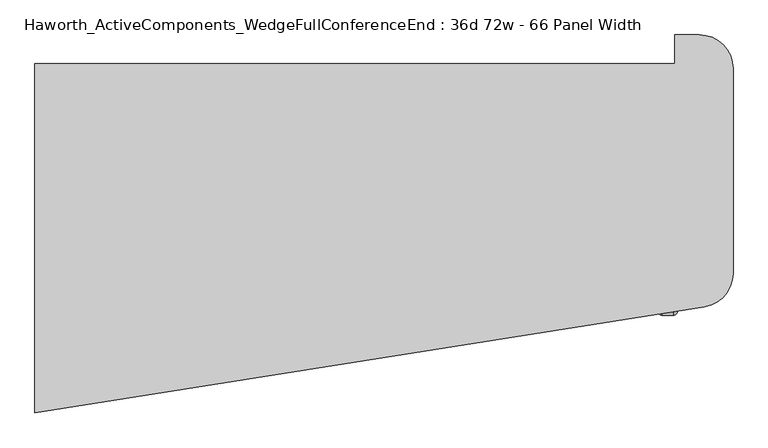
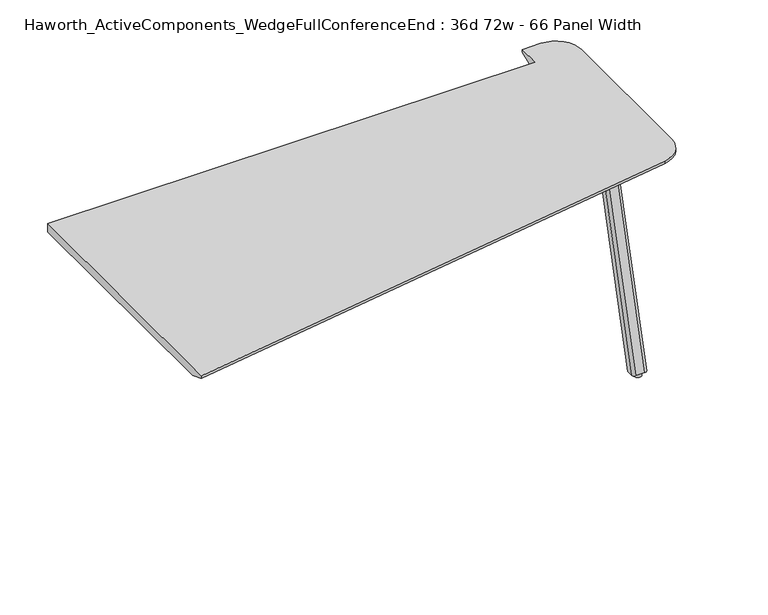
"""IFC4 building model written with IfcOpenShell, lengths in millimetres: furniture geometry, Haworth_ActiveComponents_WedgeFullConferenceEnd : 36d 72w - 66 Panel Width."""

from ifc_helpers import new_model, si_unit, point, frame, frame_2d, origin, origin_with_axes, place, context, project, spatial, polyline, circle_curve, trimmed, segment, composite_curve, outline, extrude, source, transform, mapped, element, save
from ifc_brep_helpers import plane_surface, cylinder_surface, revolved_surface, extruded_surface, advanced_brep


def haworth_activecomponents_wedgefullconferenceend_36d_72w_66_b84fc261(model_context):
    return source(origin(), model_context, "Body", "SolidModel", [
        extrude(outline(composite_curve([segment(trimmed(circle_curve(frame_2d((1209.294, -129.8605172)), 9.525), [point((1209.294, -120.3355172))], [point((1218.819, -129.8605172))], False, "CARTESIAN"), True, "CONTINUOUS"), segment(polyline([(1218.819, -129.8605172), (1218.819, -212.5338866)]), True, "CONTINUOUS"), segment(trimmed(circle_curve(frame_2d((1209.294, -212.5338866)), 9.525), [point((1218.819, -212.5338866))], [point((1209.294, -222.0588866))], False, "CARTESIAN"), True, "CONTINUOUS"), segment(polyline([(1209.294, -222.0588866), (1101.3440004, -222.0588866)]), True, "CONTINUOUS"), segment(trimmed(circle_curve(frame_2d((1101.3440004, -212.5338866)), 9.525), [point((1101.3440004, -222.0588866))], [point((1091.8190004, -212.5338866))], False, "CARTESIAN"), True, "CONTINUOUS"), segment(polyline([(1091.8190004, -212.5338866), (1091.8190004, -129.8605172)]), True, "CONTINUOUS"), segment(trimmed(circle_curve(frame_2d((1101.3440004, -129.8605172)), 9.525), [point((1091.8190004, -129.8605172))], [point((1101.3440004, -120.3355172))], False, "CARTESIAN"), True, "CONTINUOUS"), segment(polyline([(1101.3440004, -120.3355172), (1209.294, -120.3355172)]), True, "CONTINUOUS")], self_intersect=False)), frame((0.0, 0.0, 705.2055742), z_axis=(0.0, 0.0, 1.0), x_axis=(1.0, 0.0, 0.0)), (0.0, 0.0, 1.0), 5.9944258),
        advanced_brep(
        [(1203.325, -214.8347266, 705.2055742), (1212.85, -205.3097266, 705.2055742), (1212.85, -184.6722266, 705.2055742), (1162.05, -184.6722266, 705.2055742), (1162.05, -205.3097266, 705.2055742), (1171.575, -214.8347266, 705.2055742), (1203.325, -401.3230172, 12.7), (1171.575, -401.3230172, 12.7), (1162.05, -391.7980172, 12.7), (1162.05, -371.1605172, 12.7), (1212.85, -371.1605172, 12.7), (1212.85, -391.7980172, 12.7)],
        [
            (0, 1, circle_curve(frame((1203.325, -205.3097266, 705.2055742), z_axis=(0.0, 0.0, 1.0), x_axis=(1.0, 0.0, 0.0)), 9.525)),
            (1, 2),
            (2, 3),
            (3, 4),
            (4, 5, circle_curve(frame((1171.575, -205.3097266, 705.2055742), z_axis=(0.0, 0.0, 1.0), x_axis=(1.0, 0.0, 0.0)), 9.525)),
            (5, 0),
            (6, 7),
            (7, 8, circle_curve(frame((1171.575, -391.7980172, 12.7), z_axis=(0.0, 0.0, -1.0), x_axis=(1.0, 0.0, 0.0)), 9.525)),
            (8, 9),
            (9, 10),
            (10, 11),
            (11, 6, circle_curve(frame((1203.325, -391.7980172, 12.7), z_axis=(0.0, 0.0, -1.0), x_axis=(1.0, 0.0, 0.0)), 9.525)),
            (11, 1),
            (0, 6),
            (10, 2),
            (9, 3),
            (8, 4),
            (7, 5),
        ],
        [
            plane_surface(frame((1187.45, -201.6055599, 705.2055742), z_axis=(0.0, 0.0, 1.0), x_axis=(-1.0, 0.0, 0.0))),
            plane_surface(frame((1187.45, -388.0938506, 12.7), z_axis=(0.0, 0.0, -1.0), x_axis=(-1.0, 0.0, 0.0))),
            extruded_surface(trimmed(circle_curve(frame((1203.325, -391.7980172, 12.7), z_axis=(0.0, 0.0, 1.0), x_axis=(1.0, 0.0, 0.0)), 9.525), [point((1203.325, -401.3230172, 12.7))], [point((1212.85, -391.7980172, 12.7))], True, "CARTESIAN"), (0.0, 186.4882906, 692.5055742), 717.1763052618106),
            plane_surface(frame((1212.85, -381.4792672, 12.7), z_axis=(1.0, 0.0, 0.0), x_axis=(0.0, 1.0, 0.0))),
            plane_surface(frame((1187.45, -371.1605172, 12.7), z_axis=(0.0, 0.9656001865922422, -0.260031305140414), x_axis=(-1.0, 0.0, 0.0))),
            plane_surface(frame((1162.05, -381.4792672, 12.7), z_axis=(-1.0, 0.0, 0.0), x_axis=(0.0, -1.0, 0.0))),
            extruded_surface(trimmed(circle_curve(frame((1171.575, -391.7980172, 12.7), z_axis=(0.0, 0.0, 1.0), x_axis=(1.0, 0.0, 0.0)), 9.525), [point((1162.05, -391.7980172, 12.7))], [point((1171.575, -401.3230172, 12.7))], True, "CARTESIAN"), (0.0, 186.4882906, 692.5055742), 717.1763052618106),
            plane_surface(frame((1187.45, -401.3230172, 12.7), z_axis=(0.0, -0.9656001865922422, 0.260031305140414), x_axis=(1.0, 0.0, 0.0))),
        ],
        [
            (0, [[1, 2, 3, 4, 5, 6]]),
            (1, [[7, 8, 9, 10, 11, 12]]),
            (2, [[-12, 13, -1, 14]]),
            (3, [[-11, 15, -2, -13]]),
            (4, [[-10, 16, -3, -15]]),
            (5, [[-9, 17, -4, -16]]),
            (6, [[-8, 18, -5, -17]]),
            (7, [[-7, -14, -6, -18]]),
        ],
    ),
        extrude(outline(composite_curve([segment(trimmed(circle_curve(frame_2d((1187.45, -385.4480172)), 12.7), [point((1174.75, -385.4480172))], [point((1200.15, -385.4480172))], False, "CARTESIAN"), True, "CONTINUOUS"), segment(trimmed(circle_curve(frame_2d((1187.45, -385.4480172)), 12.7), [point((1200.15, -385.4480172))], [point((1174.75, -385.4480172))], False, "CARTESIAN"), True, "CONTINUOUS")], self_intersect=False)), origin_with_axes(), (0.0, 0.0, 1.0), 12.7),
        advanced_brep(
        [(1206.5, 257.4465234, 741.3625), (-469.9, 257.4465234, 741.3625), (-469.9, -656.9534766, 741.3625), (1283.9070239, -379.1777326, 741.3625), (1358.9, -291.3722392, 741.3625), (1358.9, 244.7465234, 741.3625), (1270.0, 333.6465234, 741.3625), (1206.5, 333.6465234, 741.3625), (-469.9, 257.4465234, 711.2), (1206.5, 257.4465234, 711.2), (1206.5, 282.8465234, 711.2), (1270.0, 282.8465234, 711.2), (1308.1, 244.7465234, 711.2), (1308.1, -291.3722392, 711.2), (1275.9601531, -329.0031649, 711.2), (-469.9, -605.5202482, 711.2), (-469.9, -656.9534766, 731.8375), (1358.9, -291.3722392, 731.8375), (1358.9, 244.7465234, 731.8375), (1270.0, 333.6465234, 731.8375), (1206.5, 333.6465234, 731.8375), (1283.9070239, -379.1777326, 731.8375)],
        [
            (0, 1),
            (1, 2),
            (2, 3),
            (3, 4, circle_curve(frame((1270.0, -291.3722392, 741.3625), z_axis=(0.0, 0.0, 1.0), x_axis=(1.0, 0.0, 0.0)), 88.9)),
            (4, 5),
            (5, 6, circle_curve(frame((1270.0, 244.7465234, 741.3625), z_axis=(0.0, 0.0, 1.0), x_axis=(1.0, 0.0, 0.0)), 88.9)),
            (6, 7),
            (7, 0),
            (8, 9),
            (9, 10),
            (10, 11),
            (11, 12, circle_curve(frame((1270.0, 244.7465234, 711.2), z_axis=(0.0, 0.0, -1.0), x_axis=(1.0, 0.0, 0.0)), 38.1)),
            (12, 13),
            (13, 14, circle_curve(frame((1270.0, -291.3722392, 711.2), z_axis=(0.0, 0.0, -1.0), x_axis=(0.1564344650402228, -0.987688340595139, 0.0)), 38.1)),
            (14, 15),
            (15, 8),
            (0, 9),
            (8, 1),
            (15, 16),
            (16, 2),
            (4, 17),
            (17, 18),
            (18, 5),
            (6, 19),
            (19, 20),
            (20, 7),
            (20, 10),
            (18, 19, circle_curve(frame((1270.0, 244.7465234, 731.8375), z_axis=(0.0, 0.0, 1.0), x_axis=(1.0, 0.0, 0.0)), 88.9)),
            (16, 21),
            (21, 3),
            (21, 17, circle_curve(frame((1270.0, -291.3722392, 731.8375), z_axis=(0.0, 0.0, 1.0), x_axis=(1.0, 0.0, 0.0)), 88.9)),
            (14, 21),
            (13, 17),
            (12, 18),
            (11, 19),
        ],
        [
            plane_surface(frame((-469.9, 257.4465234, 741.3625), z_axis=(0.0, 0.0, 1.0), x_axis=(-1.0, 0.0, 0.0))),
            plane_surface(frame((-469.9, 257.4465234, 711.2), z_axis=(0.0, 0.0, -1.0), x_axis=(1.0, 0.0, 0.0))),
            plane_surface(frame((1206.5, 257.4465234, 741.3625), z_axis=(0.0, 1.0, 0.0), x_axis=(0.0, 0.0, -1.0))),
            plane_surface(frame((-469.9, 257.4465234, 741.3625), z_axis=(-1.0, 0.0, 0.0), x_axis=(0.0, 0.0, -1.0))),
            plane_surface(frame((1358.9, -291.3722392, 741.3625), z_axis=(1.0, 0.0, 0.0), x_axis=(0.0, 0.0, -1.0))),
            plane_surface(frame((1270.0, 333.6465234, 741.3625), z_axis=(0.0, 1.0, 0.0), x_axis=(0.0, 0.0, -1.0))),
            plane_surface(frame((1206.5, 333.6465234, 741.3625), z_axis=(-1.0, 0.0, 0.0), x_axis=(0.0, 0.0, -1.0))),
            cylinder_surface(frame((1270.0, 244.7465234, 711.2), z_axis=(0.0, 0.0, 1.0), x_axis=(1.0, 0.0, 0.0)), 88.9),
            plane_surface(frame((-469.9, -656.9534766, 741.3625), z_axis=(0.1564344650402339, -0.9876883405951372, 0.0), x_axis=(0.0, 0.0, -1.0))),
            cylinder_surface(frame((1270.0, -291.3722392, 711.2), z_axis=(0.0, 0.0, 1.0), x_axis=(1.0, 0.0, 0.0)), 88.9),
            plane_surface(frame((-469.9, -656.9534766, 731.8375), z_axis=(0.058878341994061445, -0.37174322094655315, -0.9264665771220851), x_axis=(0.9876883405951372, 0.15643446504023395, 0.0))),
            revolved_surface(polyline([(1275.9601531, -329.0031649, 711.2), (1283.9070239, -379.1777326, 731.8375)]), (1270.0, -291.3722392, 741.3625), (0.0, 0.0, 1.0)),
            plane_surface(frame((1358.9, -291.3722392, 731.8375), z_axis=(0.3763770469564895, 0.0, -0.9264665771220851), x_axis=(0.0, 1.0, 0.0))),
            revolved_surface(polyline([(1308.1, 244.7465234, 711.2), (1358.9, 244.7465234, 731.8375)]), (1270.0, 244.7465234, 741.3625), (0.0, 0.0, 1.0)),
            plane_surface(frame((1270.0, 333.6465234, 731.8375), z_axis=(0.0, 0.3763770469564895, -0.9264665771220851), x_axis=(-1.0, 0.0, 0.0))),
        ],
        [
            (0, [[1, 2, 3, 4, 5, 6, 7, 8]]),
            (1, [[9, 10, 11, 12, 13, 14, 15, 16]]),
            (2, [[-1, 17, -9, 18]]),
            (3, [[-2, -18, -16, 19, 20]]),
            (4, [[-5, 21, 22, 23]]),
            (5, [[-7, 24, 25, 26]]),
            (6, [[-8, -26, 27, -10, -17]]),
            (7, [[-6, -23, 28, -24]]),
            (8, [[-3, -20, 29, 30]]),
            (9, [[-4, -30, 31, -21]]),
            (10, [[32, -29, -19, -15]]),
            (11, [[-32, -14, 33, -31]]),
            (12, [[-33, -13, 34, -22]]),
            (13, [[-34, -12, 35, -28]]),
            (14, [[-35, -11, -27, -25]]),
        ],
    ),
    ])


if __name__ == "__main__":
    model = new_model("IFC4")
    model_context = context("Model", 3, world=origin())
    ifc_project = project(units=[si_unit("LENGTHUNIT", "METRE", prefix="MILLI")], contexts=[model_context])
    site = spatial("IfcSite", under=ifc_project)
    building = spatial("IfcBuilding", under=site)
    placement = place(None, origin())
    haworth_activecomponents_wedgefullconferenceend_36d_72w_66_shape = haworth_activecomponents_wedgefullconferenceend_36d_72w_66_b84fc261(model_context)
    element("IfcFurniture", 1, ObjectType="Haworth_ActiveComponents_WedgeFullConferenceEnd : 36d 72w - 66 Panel Width", at=placement, inside=building, context=model_context, shape_type="MappedRepresentation", body=[
        mapped(haworth_activecomponents_wedgefullconferenceend_36d_72w_66_shape, transform((0.0, 0.0, 0.0), x_axis=(1.0, 0.0, 0.0), y_axis=(0.0, 1.0, 0.0), z_axis=(0.0, 0.0, 1.0))),
    ])
    save(model, "model.ifc")
